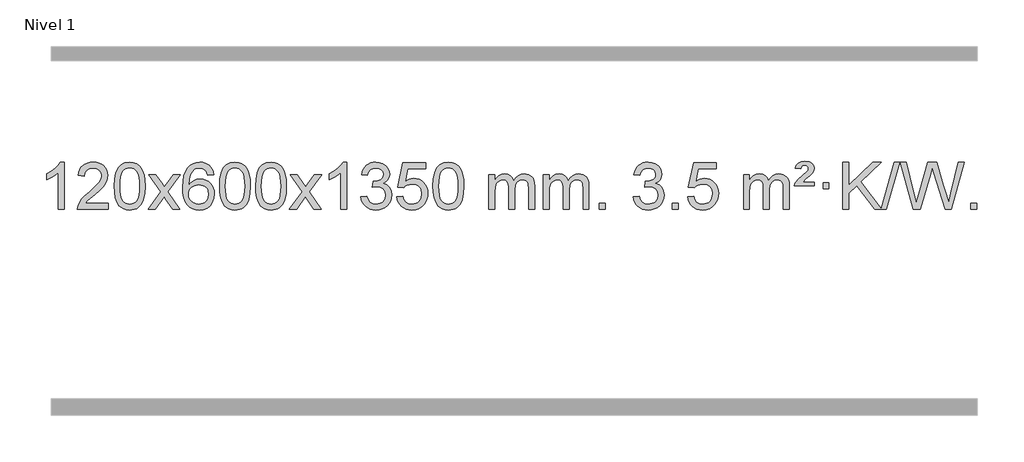
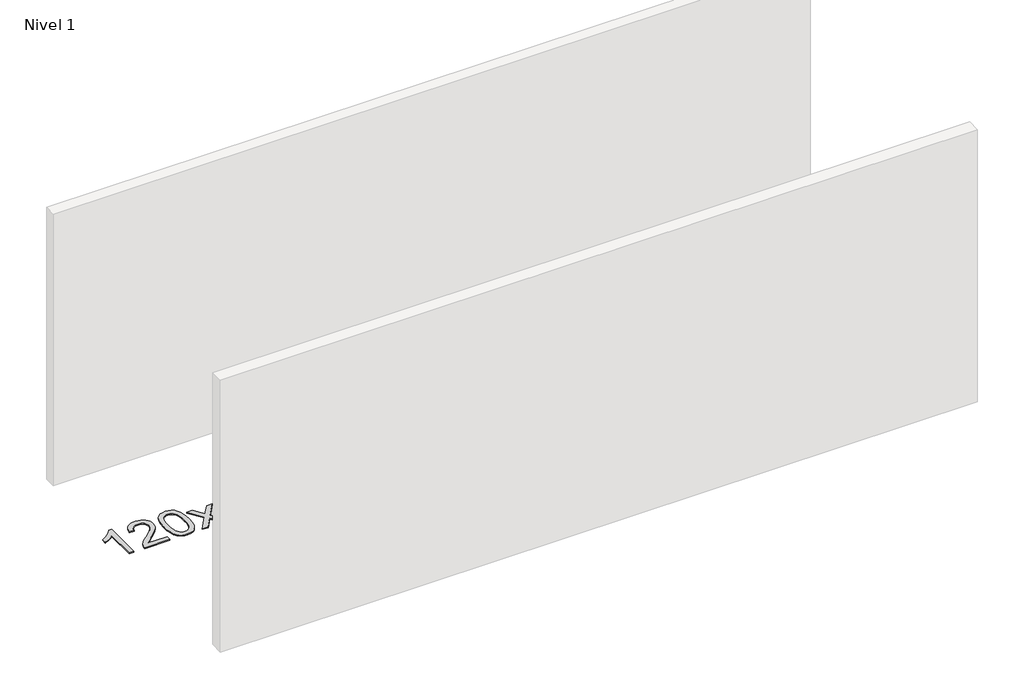
# One storey, part 5 of 10: 1 proxy.
"""IFC4 building model written with IfcOpenShell, lengths in millimetres."""

from ifc_helpers import new_model, si_unit, origin, origin_with_axes, place, context, project, spatial, polyline, outline, extrude, element, save

model = new_model("IFC4")

# Units and contexts
model_context = context("Model", 3, world=origin())
ifc_project = project(units=[si_unit("LENGTHUNIT", "METRE", prefix="MILLI")], contexts=[model_context])

# Site, building, storey
site = spatial("IfcSite", under=ifc_project)
building = spatial("IfcBuilding", under=site)
storey = spatial("IfcBuildingStorey", under=building, Name="Nivel 1", Elevation=0.0)

# Proxy
placement = place(None, origin())
element("IfcBuildingElementProxy", 1, Name="Texto de modelo 1", ObjectType="Texto de modelo 1", at=placement, inside=storey, context=model_context, shape_type="SweptSolid", body=[
    extrude(outline(polyline([(-6421.6378538, -12403.579453), (-6471.8660089, -12403.579453), (-6471.8660089, -12090.4382987), (-6492.8352826, -12107.3976587), (-6519.4454136, -12124.3324932), (-6572.3223191, -12149.6918254), (-6572.3223191, -12102.2105225), (-6532.8731065, -12080.7507395), (-6498.6968691, -12055.219729), (-6471.7556443, -12028.0700378), (-6454.0114694, -12001.7542124), (-6421.6378538, -12001.7542124), (-6421.6378538, -12403.579453)])), origin_with_axes(), (0.0, 0.0, 1.0), 10.0),
    extrude(outline(polyline([(-6044.9266908, -12353.3512979), (-6044.9266908, -12403.579453), (-6308.6245049, -12403.579453), (-6307.5208589, -12385.8965918), (-6303.2289023, -12368.9494945), (-6290.8435418, -12341.8856424), (-6272.7192222, -12315.6311307), (-6246.5014987, -12288.1503456), (-6209.8359265, -12257.4076736), (-6155.6346459, -12209.2641831), (-6123.1138775, -12173.7267824), (-6106.8534933, -12144.884834), (-6101.4333652, -12116.8277005), (-6106.546925, -12091.6768347), (-6121.8876042, -12070.7688747), (-6145.4688401, -12056.6789943), (-6175.3040699, -12051.9823675), (-6206.6353531, -12056.5686297), (-6230.9768785, -12070.3274163), (-6246.6854397, -12092.1796068), (-6252.1178305, -12121.0460807), (-6302.3459855, -12114.7675613), (-6298.0264378, -12088.838012), (-6290.1690915, -12066.1826125), (-6278.7739467, -12046.8013627), (-6263.8410034, -12030.6942627), (-6245.7136181, -12018.0329907), (-6224.7351473, -12008.989225), (-6200.9055911, -12003.5629655), (-6174.2249494, -12001.7542124), (-6147.3051844, -12003.7653006), (-6123.3468694, -12009.7985654), (-6102.3500046, -12019.8540066), (-6084.3145897, -12033.9316242), (-6069.8292362, -12050.9890861), (-6059.4825551, -12069.9840598), (-6053.2745464, -12090.9165453), (-6051.2052102, -12113.7865427), (-6053.4370276, -12137.8092369), (-6060.1324799, -12161.4149983), (-6072.0150684, -12185.4254299), (-6089.8082942, -12210.6621347), (-6118.171996, -12240.7916701), (-6161.7660125, -12279.4805933), (-6219.5480112, -12327.795762), (-6242.2095421, -12353.3512979), (-6044.9266908, -12353.3512979)])), origin_with_axes(), (0.0, 0.0, 1.0), 10.0),
    extrude(outline(polyline([(-5994.6985357, -12205.9041943), (-5991.007453, -12141.5861588), (-5979.934205, -12090.2911459), (-5961.5891561, -12051.2343407), (-5949.7310932, -12036.0009605), (-5936.0826711, -12023.6309284), (-5920.5979048, -12014.0598651), (-5903.230809, -12007.2233914), (-5862.8496286, -12001.7542124), (-5831.8984901, -12004.991574), (-5804.1847131, -12014.7036586), (-5781.0081474, -12030.5103217), (-5763.6686427, -12052.0314184), (-5750.5720437, -12079.0830078), (-5740.1241951, -12111.4811488), (-5733.2815899, -12152.6226186), (-5731.0007216, -12205.9041943), (-5734.6550161, -12269.8543477), (-5745.6178995, -12321.0267333), (-5763.8525837, -12360.1203266), (-5775.6830556, -12375.3996922), (-5789.3222805, -12387.8341036), (-5804.825441, -12397.4695462), (-5822.2477191, -12404.3520052), (-5862.8496286, -12409.8579724), (-5890.5143547, -12407.4667394), (-5915.039821, -12400.2930405), (-5936.4260277, -12388.3368757), (-5954.6729746, -12371.5982449), (-5972.1841576, -12341.3399508), (-5984.6921454, -12303.6381776), (-5992.1969381, -12258.4929255), (-5994.6985357, -12205.9041943)]), holes=[polyline([(-5944.4703806, -12205.8060924), (-5942.9988527, -12249.4706195), (-5938.5842687, -12284.8148822), (-5931.2266288, -12311.8388804), (-5920.9259329, -12330.5426142), (-5908.466996, -12343.2682656), (-5894.634633, -12352.3580165), (-5879.4288439, -12357.8118671), (-5862.8496286, -12359.6298173), (-5846.2704134, -12357.8057357), (-5831.0646243, -12352.3334911), (-5817.2322612, -12343.2130833), (-5804.7733243, -12330.4445124), (-5794.4726285, -12311.7101217), (-5787.1149886, -12284.6922549), (-5782.7004046, -12249.3909118), (-5781.2288766, -12205.8060924), (-5782.6513537, -12163.2973278), (-5786.9187848, -12128.5753989), (-5794.0311701, -12101.6403055), (-5803.9885094, -12082.4920476), (-5816.2389799, -12069.1440625), (-5830.2307584, -12059.6097875), (-5845.9638451, -12053.8892225), (-5863.4382398, -12051.9823675), (-5879.931616, -12053.6623619), (-5894.8798877, -12058.7023452), (-5908.283055, -12067.1023175), (-5920.141118, -12078.8622786), (-5930.7851704, -12099.708925), (-5938.388065, -12127.8151094), (-5942.9498017, -12163.1808319), (-5944.4703806, -12205.8060924)])]), origin_with_axes(), (0.0, 0.0, 1.0), 10.0),
    extrude(outline(polyline([(-5705.886644, -12403.579453), (-5598.5632033, -12255.2494325), (-5699.6081246, -12108.4890419), (-5639.1773756, -12108.4890419), (-5590.4207485, -12179.122385), (-5567.6611157, -12212.4770192), (-5547.9426408, -12185.2047007), (-5492.416985, -12108.4890419), (-5431.9862359, -12108.4890419), (-5538.1324542, -12255.2494325), (-5435.9103105, -12403.579453), (-5496.3410596, -12403.579453), (-5557.8509292, -12314.4048574), (-5569.1326437, -12298.1199477), (-5645.455895, -12403.579453), (-5705.886644, -12403.579453)])), origin_with_axes(), (0.0, 0.0, 1.0), 10.0),
    extrude(outline(polyline([(-5147.0984188, -12108.4890419), (-5197.3265739, -12114.7675613), (-5205.4199778, -12089.874213), (-5216.3583358, -12072.8780648), (-5239.142494, -12057.2062918), (-5266.6845927, -12051.9823675), (-5290.0328367, -12055.0235253), (-5312.0076545, -12064.1469988), (-5330.8800009, -12083.3627017), (-5346.2942565, -12109.8134171), (-5356.7053169, -12147.227016), (-5360.5680779, -12199.3313693), (-5340.4204073, -12175.8237098), (-5316.2750857, -12159.2567573), (-5289.4810137, -12149.434308), (-5261.387092, -12146.1601582), (-5237.2540331, -12148.398107), (-5214.9849097, -12155.1119534), (-5194.5797217, -12166.3016975), (-5176.0384691, -12181.9673391), (-5160.6303449, -12201.1769106), (-5149.6245419, -12222.9984443), (-5143.02106, -12247.4319401), (-5140.8198994, -12274.4773982), (-5144.9647033, -12310.4439945), (-5157.3991147, -12343.786366), (-5177.0930642, -12372.0642287), (-5203.0164821, -12392.8372987), (-5233.9921461, -12405.602804), (-5268.8428338, -12409.8579724), (-5298.7853625, -12407.0375437), (-5325.8277548, -12398.5762579), (-5349.9700107, -12384.4741147), (-5371.2121303, -12364.7311143), (-5388.5301752, -12338.5133908), (-5400.9002073, -12304.9870783), (-5408.3222266, -12264.1521768), (-5410.796233, -12216.0086864), (-5408.0493807, -12162.0342663), (-5399.808824, -12115.9693092), (-5386.0745629, -12077.8138149), (-5366.8465973, -12047.5677835), (-5346.0060823, -12027.5243462), (-5321.8423665, -12013.2076052), (-5294.3554501, -12004.6175606), (-5263.545333, -12001.7542124), (-5240.4116869, -12003.5261773), (-5219.47307, -12008.8420722), (-5200.7294824, -12017.7018969), (-5184.1809239, -12030.1056515), (-5170.2749845, -12045.6364031), (-5159.4592539, -12063.8772186), (-5151.733732, -12084.8280983), (-5147.0984188, -12108.4890419)]), holes=[polyline([(-5360.5680779, -12273.6925832), (-5357.6618101, -12295.9494439), (-5348.9430068, -12317.2007605), (-5335.4049494, -12335.472233), (-5318.0409193, -12348.7895612), (-5297.0839083, -12356.9197533), (-5272.7669084, -12359.6298173), (-5239.6207406, -12354.0134855), (-5225.7056041, -12346.9930708), (-5213.5624326, -12337.1644901), (-5203.7123922, -12324.9262824), (-5196.676649, -12310.6769865), (-5191.0480545, -12276.1451299), (-5196.6030726, -12242.9989621), (-5203.5468453, -12229.3781312), (-5213.268127, -12217.725469), (-5225.4480867, -12208.3904634), (-5239.7678934, -12201.7226022), (-5274.8270476, -12196.3883133), (-5307.9241644, -12201.7226022), (-5335.6011532, -12217.725469), (-5346.5241827, -12229.2248471), (-5354.3263467, -12242.3858254), (-5359.0076451, -12257.2084042), (-5360.5680779, -12273.6925832)])]), origin_with_axes(), (0.0, 0.0, 1.0), 10.0),
    extrude(outline(polyline([(-5096.8702638, -12205.9041943), (-5093.1791811, -12141.5861588), (-5082.105933, -12090.2911459), (-5063.7608842, -12051.2343407), (-5051.9028212, -12036.0009605), (-5038.2543992, -12023.6309284), (-5022.7696329, -12014.0598651), (-5005.402537, -12007.2233914), (-4965.0213567, -12001.7542124), (-4934.0702182, -12004.991574), (-4906.3564412, -12014.7036586), (-4883.1798755, -12030.5103217), (-4865.8403708, -12052.0314184), (-4852.7437718, -12079.0830078), (-4842.2959231, -12111.4811488), (-4835.453318, -12152.6226186), (-4833.1724496, -12205.9041943), (-4836.8267441, -12269.8543477), (-4847.7896275, -12321.0267333), (-4866.0243118, -12360.1203266), (-4877.8547836, -12375.3996922), (-4891.4940086, -12387.8341036), (-4906.997169, -12397.4695462), (-4924.4194471, -12404.3520052), (-4965.0213567, -12409.8579724), (-4992.6860827, -12407.4667394), (-5017.2115491, -12400.2930405), (-5038.5977557, -12388.3368757), (-5056.8447027, -12371.5982449), (-5074.3558856, -12341.3399508), (-5086.8638735, -12303.6381776), (-5094.3686662, -12258.4929255), (-5096.8702638, -12205.9041943)]), holes=[polyline([(-5046.6421087, -12205.8060924), (-5045.1705807, -12249.4706195), (-5040.7559968, -12284.8148822), (-5033.3983568, -12311.8388804), (-5023.097661, -12330.5426142), (-5010.6387241, -12343.2682656), (-4996.8063611, -12352.3580165), (-4981.6005719, -12357.8118671), (-4965.0213567, -12359.6298173), (-4948.4421414, -12357.8057357), (-4933.2363523, -12352.3334911), (-4919.4039893, -12343.2130833), (-4906.9450524, -12330.4445124), (-4896.6443565, -12311.7101217), (-4889.2867166, -12284.6922549), (-4884.8721327, -12249.3909118), (-4883.4006047, -12205.8060924), (-4884.8230817, -12163.2973278), (-4889.0905129, -12128.5753989), (-4896.2028981, -12101.6403055), (-4906.1602375, -12082.4920476), (-4918.4107079, -12069.1440625), (-4932.4024864, -12059.6097875), (-4948.1355731, -12053.8892225), (-4965.6099679, -12051.9823675), (-4982.103344, -12053.6623619), (-4997.0516157, -12058.7023452), (-5010.4547831, -12067.1023175), (-5022.3128461, -12078.8622786), (-5032.9568985, -12099.708925), (-5040.559793, -12127.8151094), (-5045.1215298, -12163.1808319), (-5046.6421087, -12205.8060924)])]), origin_with_axes(), (0.0, 0.0, 1.0), 10.0),
    extrude(outline(polyline([(-4789.2228139, -12205.9041943), (-4785.5317312, -12141.5861588), (-4774.4584832, -12090.2911459), (-4756.1134344, -12051.2343407), (-4744.2553714, -12036.0009605), (-4730.6069494, -12023.6309284), (-4715.122183, -12014.0598651), (-4697.7550872, -12007.2233914), (-4657.3739068, -12001.7542124), (-4626.4227683, -12004.991574), (-4598.7089913, -12014.7036586), (-4575.5324257, -12030.5103217), (-4558.1929209, -12052.0314184), (-4545.0963219, -12079.0830078), (-4534.6484733, -12111.4811488), (-4527.8058681, -12152.6226186), (-4525.5249998, -12205.9041943), (-4529.1792943, -12269.8543477), (-4540.1421777, -12321.0267333), (-4558.3768619, -12360.1203266), (-4570.2073338, -12375.3996922), (-4583.8465587, -12387.8341036), (-4599.3497192, -12397.4695462), (-4616.7719973, -12404.3520052), (-4657.3739068, -12409.8579724), (-4685.0386329, -12407.4667394), (-4709.5640992, -12400.2930405), (-4730.9503059, -12388.3368757), (-4749.1972528, -12371.5982449), (-4766.7084358, -12341.3399508), (-4779.2164236, -12303.6381776), (-4786.7212164, -12258.4929255), (-4789.2228139, -12205.9041943)]), holes=[polyline([(-4738.9946588, -12205.8060924), (-4737.5231309, -12249.4706195), (-4733.1085469, -12284.8148822), (-4725.750907, -12311.8388804), (-4715.4502112, -12330.5426142), (-4702.9912742, -12343.2682656), (-4689.1589112, -12352.3580165), (-4673.9531221, -12357.8118671), (-4657.3739068, -12359.6298173), (-4640.7946916, -12357.8057357), (-4625.5889025, -12352.3334911), (-4611.7565394, -12343.2130833), (-4599.2976025, -12330.4445124), (-4588.9969067, -12311.7101217), (-4581.6392668, -12284.6922549), (-4577.2246828, -12249.3909118), (-4575.7531548, -12205.8060924), (-4577.1756319, -12163.2973278), (-4581.443063, -12128.5753989), (-4588.5554483, -12101.6403055), (-4598.5127876, -12082.4920476), (-4610.7632581, -12069.1440625), (-4624.7550366, -12059.6097875), (-4640.4881233, -12053.8892225), (-4657.962518, -12051.9823675), (-4674.4558942, -12053.6623619), (-4689.4041659, -12058.7023452), (-4702.8073333, -12067.1023175), (-4714.6653962, -12078.8622786), (-4725.3094486, -12099.708925), (-4732.9123432, -12127.8151094), (-4737.4740799, -12163.1808319), (-4738.9946588, -12205.8060924)])]), origin_with_axes(), (0.0, 0.0, 1.0), 10.0),
    extrude(outline(polyline([(-4500.4109222, -12403.579453), (-4393.0874815, -12255.2494325), (-4494.1324029, -12108.4890419), (-4433.7016538, -12108.4890419), (-4384.9450267, -12179.122385), (-4362.1853939, -12212.4770192), (-4342.466919, -12185.2047007), (-4286.9412632, -12108.4890419), (-4226.5105141, -12108.4890419), (-4332.6567324, -12255.2494325), (-4230.4345887, -12403.579453), (-4290.8653378, -12403.579453), (-4352.3752074, -12314.4048574), (-4363.6569219, -12298.1199477), (-4439.9801732, -12403.579453), (-4500.4109222, -12403.579453)])), origin_with_axes(), (0.0, 0.0, 1.0), 10.0),
    extrude(outline(polyline([(-4010.6864103, -12403.579453), (-4060.9145653, -12403.579453), (-4060.9145653, -12090.4382987), (-4081.8838391, -12107.3976587), (-4108.49397, -12124.3324932), (-4161.3708755, -12149.6918254), (-4161.3708755, -12102.2105225), (-4121.9216629, -12080.7507395), (-4087.7454255, -12055.219729), (-4060.8042007, -12028.0700378), (-4043.0600258, -12001.7542124), (-4010.6864103, -12001.7542124), (-4010.6864103, -12403.579453)])), origin_with_axes(), (0.0, 0.0, 1.0), 10.0),
    extrude(outline(polyline([(-3891.394542, -12296.8446235), (-3841.1663869, -12290.5661041), (-3829.9214606, -12322.1303793), (-3813.4526099, -12343.4430095), (-3790.9504945, -12355.5831154), (-3761.6057741, -12359.6298173), (-3727.1720193, -12354.0625364), (-3712.8981979, -12347.1034354), (-3700.5864138, -12337.3606939), (-3683.5902656, -12312.4428201), (-3677.9248829, -12282.2274455), (-3683.5412147, -12253.5449126), (-3700.3902101, -12230.2825078), (-3725.8966951, -12214.8682522), (-3757.4854957, -12209.730167), (-3792.7040654, -12215.2238715), (-3787.1122591, -12164.9957164), (-3779.0679061, -12165.5843276), (-3748.9751589, -12161.979084), (-3722.0707223, -12151.1633534), (-3710.9974743, -12142.9841103), (-3703.0880114, -12132.8673555), (-3698.3423336, -12120.8130888), (-3696.760441, -12106.8213102), (-3701.3467032, -12085.1285352), (-3715.1054899, -12067.5315131), (-3736.0992891, -12055.8696539), (-3762.390589, -12051.9823675), (-3788.7309398, -12055.9064421), (-3810.2642993, -12067.6786659), (-3825.9851232, -12087.299039), (-3834.8878675, -12114.7675613), (-3885.1160226, -12108.4890419), (-3879.1624656, -12084.5092672), (-3870.3271664, -12063.3867093), (-3858.6101248, -12045.1213683), (-3844.011341, -12029.713244), (-3826.9906673, -12017.4811677), (-3808.0079564, -12008.7439703), (-3787.0632081, -12003.5016519), (-3764.1564226, -12001.7542124), (-3732.5798846, -12005.2000404), (-3703.5785207, -12015.5375245), (-3679.1266307, -12031.8469596), (-3661.1985148, -12053.2086408), (-3650.1988432, -12077.8199463), (-3646.532286, -12103.8782543), (-3650.0149022, -12128.1584659), (-3660.4627509, -12150.1823347), (-3677.7286792, -12168.9443165), (-3701.6655343, -12183.4388671), (-3670.2238865, -12196.1430586), (-3646.9246934, -12217.77452), (-3632.5037192, -12247.1560286), (-3627.6967278, -12283.1103623), (-3630.1002235, -12308.5923218), (-3637.3107106, -12332.0631931), (-3649.3281891, -12353.5229762), (-3666.152659, -12372.971671), (-3686.6498175, -12389.1094278), (-3709.6853618, -12400.636397), (-3735.2592918, -12407.5525785), (-3763.3716076, -12409.8579724), (-3788.7799908, -12407.8898037), (-3811.932031, -12401.9852977), (-3832.8277283, -12392.1444543), (-3851.4670827, -12378.3672736), (-3867.0959362, -12361.4630959), (-3878.9601305, -12342.2412617), (-3887.0596658, -12320.7017708), (-3891.394542, -12296.8446235)])), origin_with_axes(), (0.0, 0.0, 1.0), 10.0),
    extrude(outline(polyline([(-3583.7470921, -12296.8446235), (-3533.518937, -12290.5661041), (-3524.2973617, -12320.7201649), (-3508.2086558, -12342.3148381), (-3485.3263957, -12355.3010725), (-3455.7241578, -12359.6298173), (-3436.5942941, -12358.1245668), (-3419.7207732, -12353.6088153), (-3405.1035953, -12346.0825628), (-3392.7427602, -12335.5458094), (-3382.9141796, -12322.519721), (-3375.8937648, -12307.5254641), (-3370.2774331, -12271.6324441), (-3375.5381456, -12237.8363514), (-3382.1140362, -12223.9181493), (-3391.3202832, -12211.9865099), (-3403.1875432, -12202.4154467), (-3417.7464732, -12195.5789729), (-3454.9393429, -12190.1097939), (-3479.3053937, -12192.2925604), (-3499.0361314, -12198.8408599), (-3514.7937435, -12208.8717757), (-3527.2404177, -12221.5023908), (-3577.4685727, -12215.2238715), (-3533.518937, -12008.0327318), (-3338.8848361, -12008.0327318), (-3338.8848361, -12058.2608869), (-3492.9047648, -12058.2608869), (-3514.3890733, -12168.919791), (-3496.6632925, -12156.2155994), (-3478.508316, -12147.1411769), (-3459.9241439, -12141.6965234), (-3440.9107761, -12139.8816388), (-3416.4496891, -12142.1318504), (-3393.9812963, -12148.882485), (-3373.5055976, -12160.1335427), (-3355.022593, -12175.8850234), (-3339.7217677, -12195.1743027), (-3328.7926067, -12217.038756), (-3322.2351102, -12241.4783832), (-3320.049278, -12268.4931844), (-3322.0174467, -12294.5147042), (-3327.9219527, -12318.7213394), (-3337.762796, -12341.1130902), (-3351.5399768, -12361.6899565), (-3372.4111486, -12382.7634634), (-3396.7649367, -12397.8159684), (-3424.601341, -12406.8474714), (-3455.9203615, -12409.8579724), (-3481.8407138, -12407.9235262), (-3505.2533371, -12402.1201877), (-3526.1582315, -12392.447957), (-3544.5553969, -12378.9068338), (-3559.8623536, -12362.1712688), (-3571.4966217, -12342.915712), (-3579.4582012, -12321.1401636), (-3583.7470921, -12296.8446235)])), origin_with_axes(), (0.0, 0.0, 1.0), 10.0),
    extrude(outline(polyline([(-3276.0996423, -12205.9041943), (-3272.4085596, -12141.5861588), (-3261.3353115, -12090.2911459), (-3242.9902627, -12051.2343407), (-3231.1321997, -12036.0009605), (-3217.4837777, -12023.6309284), (-3201.9990114, -12014.0598651), (-3184.6319156, -12007.2233914), (-3144.2507352, -12001.7542124), (-3113.2995967, -12004.991574), (-3085.5858197, -12014.7036586), (-3062.409254, -12030.5103217), (-3045.0697493, -12052.0314184), (-3031.9731503, -12079.0830078), (-3021.5253016, -12111.4811488), (-3014.6826965, -12152.6226186), (-3012.4018281, -12205.9041943), (-3016.0561226, -12269.8543477), (-3027.0190061, -12321.0267333), (-3045.2536903, -12360.1203266), (-3057.0841621, -12375.3996922), (-3070.7233871, -12387.8341036), (-3086.2265475, -12397.4695462), (-3103.6488257, -12404.3520052), (-3144.2507352, -12409.8579724), (-3171.9154613, -12407.4667394), (-3196.4409276, -12400.2930405), (-3217.8271343, -12388.3368757), (-3236.0740812, -12371.5982449), (-3253.5852642, -12341.3399508), (-3266.093252, -12303.6381776), (-3273.5980447, -12258.4929255), (-3276.0996423, -12205.9041943)]), holes=[polyline([(-3225.8714872, -12205.8060924), (-3224.3999592, -12249.4706195), (-3219.9853753, -12284.8148822), (-3212.6277354, -12311.8388804), (-3202.3270395, -12330.5426142), (-3189.8681026, -12343.2682656), (-3176.0357396, -12352.3580165), (-3160.8299505, -12357.8118671), (-3144.2507352, -12359.6298173), (-3127.67152, -12357.8057357), (-3112.4657308, -12352.3334911), (-3098.6333678, -12343.2130833), (-3086.1744309, -12330.4445124), (-3075.873735, -12311.7101217), (-3068.5160951, -12284.6922549), (-3064.1015112, -12249.3909118), (-3062.6299832, -12205.8060924), (-3064.0524603, -12163.2973278), (-3068.3198914, -12128.5753989), (-3075.4322767, -12101.6403055), (-3085.389616, -12082.4920476), (-3097.6400864, -12069.1440625), (-3111.631865, -12059.6097875), (-3127.3649516, -12053.8892225), (-3144.8393464, -12051.9823675), (-3161.3327225, -12053.6623619), (-3176.2809943, -12058.7023452), (-3189.6841616, -12067.1023175), (-3201.5422246, -12078.8622786), (-3212.186277, -12099.708925), (-3219.7891716, -12127.8151094), (-3224.3509083, -12163.1808319), (-3225.8714872, -12205.8060924)])]), origin_with_axes(), (0.0, 0.0, 1.0), 10.0),
    extrude(outline(polyline([(-2798.9321691, -12403.579453), (-2798.9321691, -12108.4890419), (-2748.704014, -12108.4890419), (-2748.704014, -12157.0494653), (-2733.5963267, -12134.7435537), (-2714.1721574, -12117.2691589), (-2691.0936936, -12105.9751816), (-2665.0231228, -12102.2105225), (-2637.0886167, -12106.048758), (-2614.6968659, -12117.5634645), (-2597.9704978, -12135.9943524), (-2587.0321399, -12160.5811324), (-2568.7238792, -12135.0439906), (-2547.8404446, -12116.803175), (-2524.3818361, -12105.8586857), (-2498.3480536, -12102.2105225), (-2478.2402368, -12103.7280358), (-2460.5910981, -12108.2805755), (-2445.4006374, -12115.8681416), (-2432.6688547, -12126.4907342), (-2422.6042164, -12140.2709806), (-2415.4151891, -12157.3315082), (-2411.1017727, -12177.6723168), (-2409.6639672, -12201.2934066), (-2409.6639672, -12403.579453), (-2459.8921223, -12403.579453), (-2459.8921223, -12222.875817), (-2461.057082, -12197.8230531), (-2464.5519609, -12180.9372695), (-2471.1002604, -12169.3735121), (-2481.4254818, -12160.2868268), (-2494.7060218, -12154.4007149), (-2510.1202774, -12152.4386776), (-2537.3312823, -12157.4663982), (-2559.5145666, -12172.54956), (-2568.1199396, -12184.1194488), (-2574.2666346, -12198.7182326), (-2579.1839906, -12237.0024856), (-2579.1839906, -12403.579453), (-2629.4121457, -12403.579453), (-2629.4121457, -12217.2840106), (-2632.3184135, -12188.8835206), (-2641.0372167, -12168.6254854), (-2656.3778959, -12156.4853796), (-2679.1497914, -12152.4386776), (-2698.5003844, -12155.1364789), (-2716.3303984, -12163.2298828), (-2731.0456782, -12176.5226856), (-2741.0520685, -12194.8186835), (-2746.7910276, -12220.2025411), (-2748.704014, -12254.7589232), (-2748.704014, -12403.579453), (-2798.9321691, -12403.579453)])), origin_with_axes(), (0.0, 0.0, 1.0), 10.0),
    extrude(outline(polyline([(-2334.3217346, -12403.579453), (-2334.3217346, -12108.4890419), (-2284.0935796, -12108.4890419), (-2284.0935796, -12157.0494653), (-2268.9858923, -12134.7435537), (-2249.5617229, -12117.2691589), (-2226.4832591, -12105.9751816), (-2200.4126884, -12102.2105225), (-2172.4781822, -12106.048758), (-2150.0864315, -12117.5634645), (-2133.3600634, -12135.9943524), (-2122.4217054, -12160.5811324), (-2104.1134448, -12135.0439906), (-2083.2300102, -12116.803175), (-2059.7714016, -12105.8586857), (-2033.7376191, -12102.2105225), (-2013.6298024, -12103.7280358), (-1995.9806637, -12108.2805755), (-1980.790203, -12115.8681416), (-1968.0584202, -12126.4907342), (-1957.993782, -12140.2709806), (-1950.8047547, -12157.3315082), (-1946.4913383, -12177.6723168), (-1945.0535328, -12201.2934066), (-1945.0535328, -12403.579453), (-1995.2816879, -12403.579453), (-1995.2816879, -12222.875817), (-1996.4466475, -12197.8230531), (-1999.9415265, -12180.9372695), (-2006.489826, -12169.3735121), (-2016.8150473, -12160.2868268), (-2030.0955874, -12154.4007149), (-2045.509843, -12152.4386776), (-2072.7208479, -12157.4663982), (-2094.9041322, -12172.54956), (-2103.5095052, -12184.1194488), (-2109.6562002, -12198.7182326), (-2114.5735562, -12237.0024856), (-2114.5735562, -12403.579453), (-2164.8017113, -12403.579453), (-2164.8017113, -12217.2840106), (-2167.707979, -12188.8835206), (-2176.4267823, -12168.6254854), (-2191.7674615, -12156.4853796), (-2214.539357, -12152.4386776), (-2233.88995, -12155.1364789), (-2251.719964, -12163.2298828), (-2266.4352438, -12176.5226856), (-2276.4416341, -12194.8186835), (-2282.1805932, -12220.2025411), (-2284.0935796, -12254.7589232), (-2284.0935796, -12403.579453), (-2334.3217346, -12403.579453)])), origin_with_axes(), (0.0, 0.0, 1.0), 10.0),
    extrude(outline(polyline([(-1857.1542614, -12403.579453), (-1857.1542614, -12353.3512979), (-1806.9261064, -12353.3512979), (-1806.9261064, -12403.579453), (-1857.1542614, -12403.579453)])), origin_with_axes(), (0.0, 0.0, 1.0), 10.0),
    extrude(outline(polyline([(-1568.3423697, -12296.8446235), (-1518.1142147, -12290.5661041), (-1506.8692884, -12322.1303793), (-1490.4004377, -12343.4430095), (-1467.8983223, -12355.5831154), (-1438.5536018, -12359.6298173), (-1404.1198471, -12354.0625364), (-1389.8460257, -12347.1034354), (-1377.5342416, -12337.3606939), (-1360.5380934, -12312.4428201), (-1354.8727107, -12282.2274455), (-1360.4890425, -12253.5449126), (-1377.3380379, -12230.2825078), (-1402.8445228, -12214.8682522), (-1434.4333235, -12209.730167), (-1469.6518932, -12215.2238715), (-1464.0600868, -12164.9957164), (-1456.0157339, -12165.5843276), (-1425.9229867, -12161.979084), (-1399.0185501, -12151.1633534), (-1387.945302, -12142.9841103), (-1380.0358391, -12132.8673555), (-1375.2901614, -12120.8130888), (-1373.7082688, -12106.8213102), (-1378.294531, -12085.1285352), (-1392.0533177, -12067.5315131), (-1413.0471168, -12055.8696539), (-1439.3384168, -12051.9823675), (-1465.6787676, -12055.9064421), (-1487.2121271, -12067.6786659), (-1502.932951, -12087.299039), (-1511.8356953, -12114.7675613), (-1562.0638504, -12108.4890419), (-1556.1102934, -12084.5092672), (-1547.2749942, -12063.3867093), (-1535.5579526, -12045.1213683), (-1520.9591688, -12029.713244), (-1503.9384951, -12017.4811677), (-1484.9557842, -12008.7439703), (-1464.0110359, -12003.5016519), (-1441.1042503, -12001.7542124), (-1409.5277124, -12005.2000404), (-1380.5263485, -12015.5375245), (-1356.0744585, -12031.8469596), (-1338.1463426, -12053.2086408), (-1327.146671, -12077.8199463), (-1323.4801138, -12103.8782543), (-1326.96273, -12128.1584659), (-1337.4105786, -12150.1823347), (-1354.6765069, -12168.9443165), (-1378.6133621, -12183.4388671), (-1347.1717142, -12196.1430586), (-1323.8725212, -12217.77452), (-1309.451547, -12247.1560286), (-1304.6445556, -12283.1103623), (-1307.0480513, -12308.5923218), (-1314.2585384, -12332.0631931), (-1326.2760169, -12353.5229762), (-1343.1004868, -12372.971671), (-1363.5976453, -12389.1094278), (-1386.6331896, -12400.636397), (-1412.2071196, -12407.5525785), (-1440.3194354, -12409.8579724), (-1465.7278186, -12407.8898037), (-1488.8798588, -12401.9852977), (-1509.7755561, -12392.1444543), (-1528.4149105, -12378.3672736), (-1544.043764, -12361.4630959), (-1555.9079583, -12342.2412617), (-1564.0074936, -12320.7017708), (-1568.3423697, -12296.8446235)])), origin_with_axes(), (0.0, 0.0, 1.0), 10.0),
    extrude(outline(polyline([(-1235.5808424, -12403.579453), (-1235.5808424, -12353.3512979), (-1185.3526873, -12353.3512979), (-1185.3526873, -12403.579453), (-1235.5808424, -12403.579453)])), origin_with_axes(), (0.0, 0.0, 1.0), 10.0),
    extrude(outline(polyline([(-1103.7319353, -12296.8446235), (-1053.5037802, -12290.5661041), (-1044.2822049, -12320.7201649), (-1028.193499, -12342.3148381), (-1005.3112389, -12355.3010725), (-975.709001, -12359.6298173), (-956.5791372, -12358.1245668), (-939.7056164, -12353.6088153), (-925.0884384, -12346.0825628), (-912.7276034, -12335.5458094), (-902.8990228, -12322.519721), (-895.878608, -12307.5254641), (-890.2622762, -12271.6324441), (-895.5229888, -12237.8363514), (-902.0988794, -12223.9181493), (-911.3051264, -12211.9865099), (-923.1723864, -12202.4154467), (-937.7313163, -12195.5789729), (-974.9241861, -12190.1097939), (-999.2902369, -12192.2925604), (-1019.0209745, -12198.8408599), (-1034.7785867, -12208.8717757), (-1047.2252608, -12221.5023908), (-1097.4534159, -12215.2238715), (-1053.5037802, -12008.0327318), (-858.8696793, -12008.0327318), (-858.8696793, -12058.2608869), (-1012.889608, -12058.2608869), (-1034.3739165, -12168.919791), (-1016.6481357, -12156.2155994), (-998.4931592, -12147.1411769), (-979.9089871, -12141.6965234), (-960.8956193, -12139.8816388), (-936.4345323, -12142.1318504), (-913.9661395, -12148.882485), (-893.4904407, -12160.1335427), (-875.0074362, -12175.8850234), (-859.7066109, -12195.1743027), (-848.7774499, -12217.038756), (-842.2199533, -12241.4783832), (-840.0341212, -12268.4931844), (-842.0022898, -12294.5147042), (-847.9067959, -12318.7213394), (-857.7476392, -12341.1130902), (-871.5248199, -12361.6899565), (-892.3959918, -12382.7634634), (-916.7497799, -12397.8159684), (-944.5861842, -12406.8474714), (-975.9052047, -12409.8579724), (-1001.825557, -12407.9235262), (-1025.2381803, -12402.1201877), (-1046.1430746, -12392.447957), (-1064.5402401, -12378.9068338), (-1079.8471968, -12362.1712688), (-1091.4814649, -12342.915712), (-1099.4430444, -12321.1401636), (-1103.7319353, -12296.8446235)])), origin_with_axes(), (0.0, 0.0, 1.0), 10.0),
    extrude(outline(polyline([(-626.5644621, -12403.579453), (-626.5644621, -12108.4890419), (-576.336307, -12108.4890419), (-576.336307, -12157.0494653), (-561.2286197, -12134.7435537), (-541.8044504, -12117.2691589), (-518.7259866, -12105.9751816), (-492.6554158, -12102.2105225), (-464.7209097, -12106.048758), (-442.3291589, -12117.5634645), (-425.6027909, -12135.9943524), (-414.6644329, -12160.5811324), (-396.3561722, -12135.0439906), (-375.4727377, -12116.803175), (-352.0141291, -12105.8586857), (-325.9803466, -12102.2105225), (-305.8725298, -12103.7280358), (-288.2233911, -12108.2805755), (-273.0329304, -12115.8681416), (-260.3011477, -12126.4907342), (-250.2365094, -12140.2709806), (-243.0474821, -12157.3315082), (-238.7340657, -12177.6723168), (-237.2962603, -12201.2934066), (-237.2962603, -12403.579453), (-287.5244153, -12403.579453), (-287.5244153, -12222.875817), (-288.689375, -12197.8230531), (-292.1842539, -12180.9372695), (-298.7325535, -12169.3735121), (-309.0577748, -12160.2868268), (-322.3383148, -12154.4007149), (-337.7525704, -12152.4386776), (-364.9635753, -12157.4663982), (-387.1468596, -12172.54956), (-395.7522326, -12184.1194488), (-401.8989276, -12198.7182326), (-406.8162836, -12237.0024856), (-406.8162836, -12403.579453), (-457.0444387, -12403.579453), (-457.0444387, -12217.2840106), (-459.9507065, -12188.8835206), (-468.6695098, -12168.6254854), (-484.010189, -12156.4853796), (-506.7820845, -12152.4386776), (-526.1326774, -12155.1364789), (-543.9626914, -12163.2298828), (-558.6779713, -12176.5226856), (-568.6843615, -12194.8186835), (-574.4233206, -12220.2025411), (-576.336307, -12254.7589232), (-576.336307, -12403.579453), (-626.5644621, -12403.579453)])), origin_with_axes(), (0.0, 0.0, 1.0), 10.0),
    extrude(outline(polyline([(-193.3466246, -12202.6668327), (-189.5206518, -12186.8479069), (-181.1819933, -12170.9799302), (-159.6731593, -12145.8413272), (-127.7164766, -12118.1030247), (-83.5706372, -12080.726214), (-76.4337265, -12069.1992448), (-74.0547563, -12057.3779701), (-75.9432172, -12045.2869152), (-81.6085999, -12035.5012541), (-90.977328, -12029.026531), (-103.9758252, -12026.8682899), (-116.4102366, -12028.4869707), (-125.26393, -12033.343013), (-131.6896022, -12042.8098431), (-136.8399501, -12058.2608869), (-187.0681052, -12051.9823675), (-176.2278491, -12026.7701881), (-159.5995829, -12009.2099542), (-135.834406, -11998.9092583), (-103.5834178, -11995.475693), (-67.8007624, -11999.6082341), (-43.0545668, -12012.0058573), (-28.6335926, -12030.3386434), (-23.8266012, -12052.2766731), (-27.9223541, -12075.1834586), (-40.2096127, -12096.8149199), (-60.737428, -12116.6314968), (-97.2067965, -12144.6886303), (-122.8113834, -12171.2742358), (-23.8266012, -12171.2742358), (-23.8266012, -12202.6668327), (-193.3466246, -12202.6668327)])), origin_with_axes(), (0.0, 0.0, 1.0), 10.0),
    extrude(outline(polyline([(51.5156314, -12227.7809102), (51.5156314, -12177.5527552), (101.7437865, -12177.5527552), (101.7437865, -12227.7809102), (51.5156314, -12227.7809102)])), origin_with_axes(), (0.0, 0.0, 1.0), 10.0),
    extrude(outline(polyline([(492.3854144, -12403.579453), (338.954097, -12200.9009991), (271.2638099, -12265.4520265), (271.2638099, -12403.579453), (221.0356548, -12403.579453), (221.0356548, -12001.7542124), (271.2638099, -12001.7542124), (271.2638099, -12198.4484525), (477.2777272, -12001.7542124), (547.5186628, -12001.7542124), (374.5650741, -12166.9577537), (549.218684, -12397.5349332), (660.5320117, -12001.7542124), (705.8550735, -12001.7542124), (592.8417246, -12403.579453), (553.7971822, -12403.579453), (547.5186628, -12403.579453), (492.3854144, -12403.579453)])), origin_with_axes(), (0.0, 0.0, 1.0), 10.0),
    extrude(outline(polyline([(820.3399504, -12403.579453), (710.7601668, -12001.7542124), (762.5579517, -12001.7542124), (826.1279605, -12265.844434), (845.7483335, -12347.3670841), (866.7421327, -12275.2622131), (946.4008474, -12001.7542124), (1021.056367, -12001.7542124), (1078.9364675, -12200.0180823), (1103.731714, -12273.5944814), (1122.0031864, -12347.3670841), (1141.0349483, -12268.1988788), (1205.1935683, -12001.7542124), (1256.9913532, -12001.7542124), (1147.3134677, -12403.579453), (1093.6517474, -12403.579453), (997.3157155, -12093.5775584), (983.87576, -12050.3146358), (968.7680727, -12102.4067263), (880.9669032, -12403.579453), (820.3399504, -12403.579453)])), origin_with_axes(), (0.0, 0.0, 1.0), 10.0),
    extrude(outline(polyline([(1313.4980277, -12403.579453), (1313.4980277, -12353.3512979), (1363.7261827, -12353.3512979), (1363.7261827, -12403.579453), (1313.4980277, -12403.579453)])), origin_with_axes(), (0.0, 0.0, 1.0), 10.0),
])

save(model, "model.ifc")
